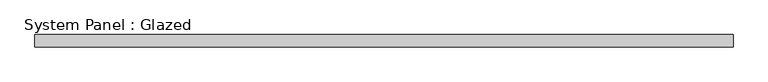
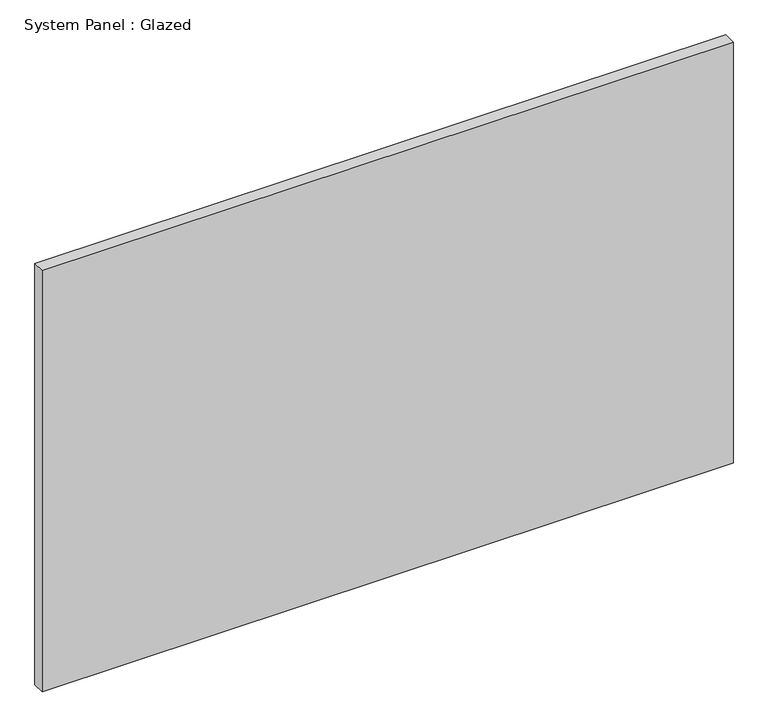
"""IFC4 building model written with IfcOpenShell, lengths in millimetres: plate geometry, System Panel : Glazed."""

from ifc_helpers import new_model, si_unit, origin, origin_with_axes, place, context, project, spatial, polyline, outline, extrude, source, transform, mapped, element, save


def system_panel_glazed_08f2b5c0(model_context):
    return source(origin(), model_context, "Body", "SweptSolid", [
        extrude(outline(polyline([(709.3763619, 19.05), (-709.3763619, 19.05), (-709.3763619, 44.45), (709.3763619, 44.45), (709.3763619, 19.05)])), origin_with_axes(), (0.0, 0.0, 1.0), 914.4),
    ])


if __name__ == "__main__":
    model = new_model("IFC4")
    model_context = context("Model", 3, world=origin())
    ifc_project = project(units=[si_unit("LENGTHUNIT", "METRE", prefix="MILLI")], contexts=[model_context])
    site = spatial("IfcSite", under=ifc_project)
    building = spatial("IfcBuilding", under=site)
    placement = place(None, origin())
    system_panel_glazed_shape = system_panel_glazed_08f2b5c0(model_context)
    element("IfcPlate", 1, ObjectType="System Panel : Glazed", at=placement, inside=building, context=model_context, shape_type="MappedRepresentation", body=[
        mapped(system_panel_glazed_shape, transform((0.0, 0.0, 0.0), x_axis=(1.0, 0.0, 0.0), y_axis=(0.0, 1.0, 0.0), z_axis=(0.0, 0.0, 1.0))),
    ])
    save(model, "model.ifc")
